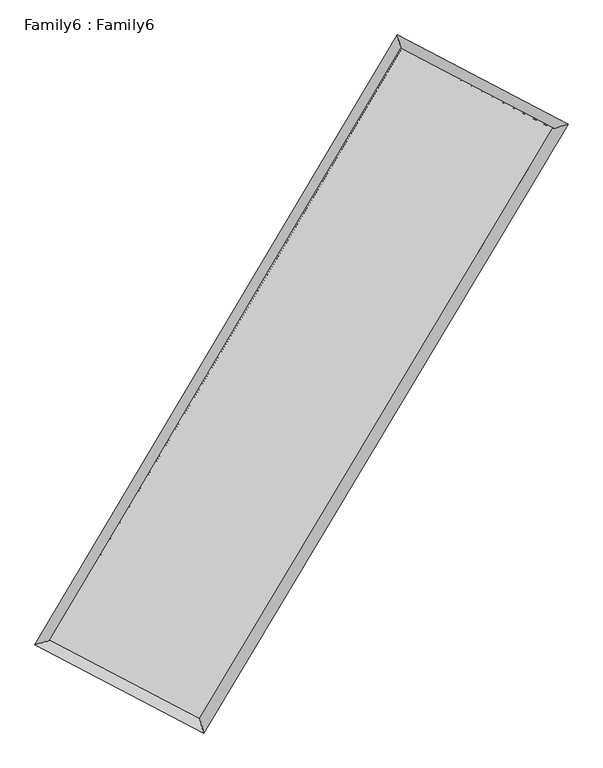
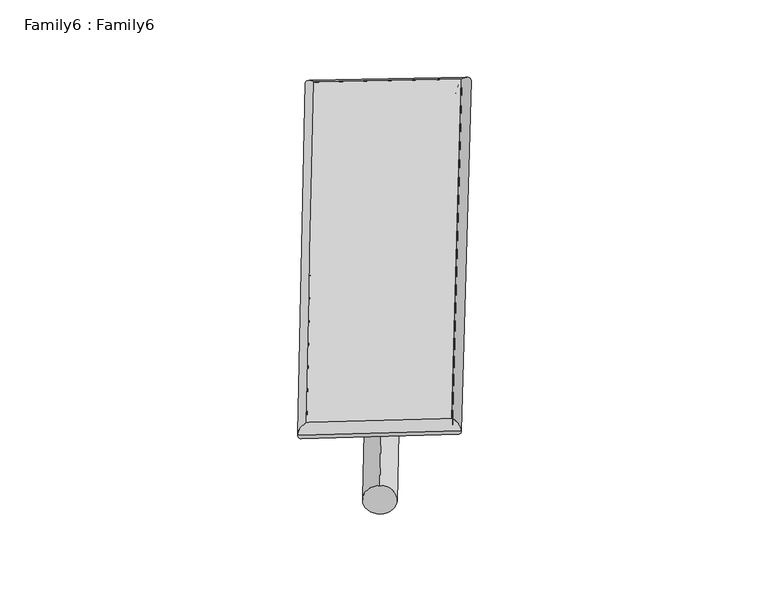
"""IFC4 building model written with IfcOpenShell, lengths in millimetres: plate geometry, Family6 : Family6."""

from ifc_helpers import new_model, si_unit, point, frame, origin, origin_2d, place, context, project, spatial, circle_curve, ellipse_curve, trimmed, segment, composite_curve, outline, extrude, source, transform, mapped, element, save
from ifc_brep_helpers import plane_surface, cylinder_surface, spline_surface, advanced_brep


def family6_family6_d4492acc(model_context):
    return source(origin(), model_context, "Body", "SolidModel", [
        extrude(outline(composite_curve([segment(trimmed(circle_curve(origin_2d(), 76.2), [point((-75.4341514, -10.7763073))], [point((75.4341514, 10.7763073))], False, "CARTESIAN"), True, "CONTINUOUS"), segment(trimmed(circle_curve(origin_2d(), 76.2), [point((75.4341514, 10.7763073))], [point((-75.4341514, -10.7763073))], False, "CARTESIAN"), True, "CONTINUOUS")], self_intersect=False)), frame((9144.0, 9144.0, 0.0), z_axis=(0.6770577926564759, 0.6848818971627938, 0.26931307495521406), x_axis=(-0.6767334827470601, 0.7232079012022218, -0.13784819537343226)), (0.0, 0.0, 1.0), 5637.567011),
        extrude(outline(composite_curve([segment(trimmed(circle_curve(origin_2d(), 76.2), [point((-53.8815367, 53.8815367))], [point((53.8815367, -53.8815367))], False, "CARTESIAN"), True, "CONTINUOUS"), segment(trimmed(circle_curve(origin_2d(), 76.2), [point((53.8815367, -53.8815367))], [point((-53.8815367, 53.8815367))], False, "CARTESIAN"), True, "CONTINUOUS")], self_intersect=False)), frame((9144.0, 9144.0, 0.0), z_axis=(-0.6748214862731478, -0.6870365370577296, 0.2694378563079489), x_axis=(0.638971182523315, -0.36128100139986996, 0.6791110851195581)), (0.0, 0.0, 1.0), 5634.4594462),
        extrude(outline(composite_curve([segment(trimmed(circle_curve(origin_2d(), 76.2), [point((-53.8815368, -53.8815367))], [point((53.8815368, 53.8815367))], False, "CARTESIAN"), True, "CONTINUOUS"), segment(trimmed(circle_curve(origin_2d(), 76.2), [point((53.8815368, 53.8815367))], [point((-53.8815368, -53.8815367))], False, "CARTESIAN"), True, "CONTINUOUS")], self_intersect=False)), frame((9144.0, 9144.0, 0.0), z_axis=(0.2739698261973088, 0.9209038877661315, 0.2772662327630987), x_axis=(-0.840490777412631, 0.36939205539383096, -0.39638965992597763)), (0.0, 0.0, 1.0), 5506.6143219),
        extrude(outline(composite_curve([segment(trimmed(circle_curve(origin_2d(), 76.2), [point((-75.4341514, 10.7763074))], [point((75.4341514, -10.7763074))], False, "CARTESIAN"), True, "CONTINUOUS"), segment(trimmed(circle_curve(origin_2d(), 76.2), [point((75.4341514, -10.7763074))], [point((-75.4341514, 10.7763074))], False, "CARTESIAN"), True, "CONTINUOUS")], self_intersect=False)), frame((9144.0, 9144.0, 0.0), z_axis=(-0.2770151403585822, -0.919940182938956, 0.2774394921894781), x_axis=(0.8773130110724633, -0.12438929910509515, 0.4635182659519593)), (0.0, 0.0, 1.0), 5502.917463),
        advanced_brep(
        [(5128.5690889, 5212.4296139, 1518.7860125), (5554.9247183, 5333.4149309, 1519.0038007), (5554.9223154, 5333.4113739, 1517.4873368), (10709.8826418, 14012.9917497, 1525.8945481), (10595.4096956, 14417.1333253, 1527.7018686), (5128.5666861, 5212.4260568, 1517.2695486), (12747.36561, 12944.9630105, 1518.3673844), (13174.551743, 13065.1721693, 1518.1736297), (7562.7398039, 4283.36896, 1526.5753869), (7676.4772893, 3879.9212448, 1526.8778661)],
        [
            (0, 1, ellipse_curve(frame((5341.7457022, 5272.9204939, 1518.1366746), z_axis=(-0.27298671446022227, 0.9620160740797509, -0.0018239902402172414), x_axis=(-0.9620122666211329, -0.27299108526128435, -0.0028751066652352854)), 221.598016, 152.4)),
            (1, 2, ellipse_curve(frame((5341.7457022, 5272.9204939, 1518.1366746), z_axis=(-0.27298671446022227, 0.9620160740797509, -0.0018239902402172414), x_axis=(-0.9620122666211329, -0.27299108526128435, -0.0028751066652352854)), 221.598016, 152.4)),
            (2, 3),
            (3, 4, ellipse_curve(frame((10652.6461687, 14215.0625375, 1526.7982083), z_axis=(-0.9621445195876307, -0.27253458221826127, 0.0016807506076975379), x_axis=(0.27252893111856125, -0.962142964642479, -0.0029828329413558625)), 210.0226245, 152.4)),
            (4, 0),
            (2, 5, ellipse_curve(frame((5341.7457022, 5272.9204939, 1518.1366746), z_axis=(-0.27298671446022227, 0.9620160740797509, -0.0018239902402172414), x_axis=(-0.9620122666211329, -0.27299108526128435, -0.0028751066652352854)), 221.598016, 152.4)),
            (5, 0, ellipse_curve(frame((5341.7457022, 5272.9204939, 1518.1366746), z_axis=(-0.27298671446022227, 0.9620160740797509, -0.0018239902402172414), x_axis=(-0.9620122666211329, -0.27299108526128435, -0.0028751066652352854)), 221.598016, 152.4)),
            (4, 3, ellipse_curve(frame((10652.6461687, 14215.0625375, 1526.7982083), z_axis=(-0.9621445195876307, -0.27253458221826127, 0.0016807506076975379), x_axis=(0.27252893111856125, -0.962142964642479, -0.0029828329413558625)), 210.0226245, 152.4)),
            (3, 6),
            (6, 7, ellipse_curve(frame((12960.9586765, 13005.0675899, 1518.270507), z_axis=(-0.2708760676421057, 0.9626125656974404, 0.0017900670770481118), x_axis=(-0.9626089440654768, -0.27088027450689695, 0.002810282586459773)), 221.8893385, 152.4)),
            (7, 4),
            (7, 6, ellipse_curve(frame((12960.9586765, 13005.0675899, 1518.270507), z_axis=(-0.2708760676421057, 0.9626125656974404, 0.0017900670770481118), x_axis=(-0.9626089440654768, -0.27088027450689695, 0.002810282586459773)), 221.8893385, 152.4)),
            (6, 8),
            (8, 9, ellipse_curve(frame((7619.6085466, 4081.6451024, 1526.7266265), z_axis=(0.9624824406134305, 0.2713384021680035, 0.0017386833320208702), x_axis=(-0.2713325058934666, 0.9624809161714425, -0.0030260950666629927)), 209.5872119, 152.4)),
            (9, 7),
            (9, 8, ellipse_curve(frame((7619.6085466, 4081.6451024, 1526.7266265), z_axis=(0.9624824406134305, 0.2713384021680035, 0.0017386833320208702), x_axis=(-0.2713325058934666, 0.9624809161714425, -0.0030260950666629927)), 209.5872119, 152.4)),
            (8, 1),
            (5, 9),
        ],
        [
            cylinder_surface(frame((5341.7457022, 5272.9204939, 1518.1366746), z_axis=(-0.5106454643615225, -0.8597909723612602, -0.000832810352718301), x_axis=(-0.8597820993659514, 0.5106352159939385, 0.005139824578828847)), 152.4),
            cylinder_surface(frame((10652.6461687, 14215.0625375, 1526.7982083), z_axis=(-0.8856881460179737, 0.46426910491332907, 0.0032720370140099935), x_axis=(0.46427792749211083, 0.8856850540435497, 0.0028268511642699783)), 152.4),
            cylinder_surface(frame((12960.9586765, 13005.0675899, 1518.270507), z_axis=(0.5135971480210862, 0.8580310649486628, -0.000813097577321761), x_axis=(0.8580314207703079, -0.5135971480210862, 0.00022475652030438058)), 152.4),
            cylinder_surface(frame((7619.6085466, 4081.6451024, 1526.7266265), z_axis=(0.8861287474625246, -0.46342709927876574, 0.003341642495319698), x_axis=(-0.46342220006013884, -0.8861349719700926, -0.0021623928838054515)), 152.4),
        ],
        [
            (0, [[1, 2, 3, 4, 5]]),
            (0, [[6, 7, -5, 8, -3]]),
            (1, [[-4, 9, 10, 11]]),
            (1, [[-8, -11, 12, -9]]),
            (2, [[-10, 13, 14, 15]]),
            (2, [[-12, -15, 16, -13]]),
            (3, [[-14, 17, -1, -7, 18]]),
            (3, [[-16, -18, -6, -2, -17]]),
        ],
    ),
        extrude(outline(composite_curve([segment(trimmed(circle_curve(origin_2d(), 304.8), [point((0.0, 304.8))], [point((0.0, -304.8))], False, "CARTESIAN"), True, "CONTINUOUS"), segment(trimmed(circle_curve(origin_2d(), 304.8), [point((0.0, -304.8))], [point((0.0, 304.8))], False, "CARTESIAN"), True, "CONTINUOUS")], self_intersect=False)), frame((11815.4487666, 13637.2498482, -0.0003742), z_axis=(-0.5110452456862759, -0.8595538126618072, 7.158864167977213e-08), x_axis=(-0.8595538126618099, 0.5110452456862759, -1.967409317572653e-08)), (0.0, 0.0, 1.0), 10454.8424591),
        advanced_brep(
        [(5341.7457022, 5272.9204939, 1518.1366746), (7619.6085466, 4081.6451024, 1526.7266265), (7619.6092614, 4081.6429066, 1679.1266265), (5341.746417, 5272.9182981, 1670.5366746), (12960.9586765, 13005.0675899, 1518.270507), (12960.9593913, 13005.0653942, 1670.670507), (10652.6461687, 14215.0625375, 1526.7982083), (10652.6468835, 14215.0603417, 1679.1982083)],
        [
            (0, 1),
            (1, 2),
            (2, 3),
            (3, 0),
            (1, 4),
            (4, 5),
            (5, 2),
            (4, 6),
            (6, 7),
            (7, 5),
            (6, 0),
            (3, 7),
        ],
        [
            plane_surface(frame((6480.6771244, 4677.2827981, 1522.4316506), z_axis=(-0.4634296553516297, -0.8861337113711704, -1.0593634601253421e-05), x_axis=(0.8861287474625245, -0.46342709927876585, 0.0033416424953196995))),
            plane_surface(frame((10290.2836115, 8543.3563461, 1522.4985668), z_axis=(0.8580313437560151, -0.5135973257346004, -1.1424280683103338e-05), x_axis=(0.5135971480210861, 0.8580310649486629, -0.0008130975773217601))),
            plane_surface(frame((11806.8024226, 13610.0650637, 1522.5343577), z_axis=(0.46427162086319324, 0.8856928711178931, 1.0583333953291226e-05), x_axis=(-0.8856881460179735, 0.46426910491332907, 0.0032720370140099935))),
            plane_surface(frame((7997.1959354, 9743.9915157, 1522.4674415), z_axis=(-0.8597912753134235, 0.510645633257727, 1.1390007814945642e-05), x_axis=(-0.5106454643615228, -0.8597909723612602, -0.0008328103527183008))),
            spline_surface(1, 1, [[(7619.6092614, 4081.6429066, 1679.1266265), (5341.746417, 5272.9182981, 1670.5366746)], [(12960.9593913, 13005.0653942, 1670.670507), (10652.6468835, 14215.0603417, 1679.1982083)]], [2, 2], [2, 2], [0.0, 1.0], [0.0, 1.0]),
            spline_surface(1, 1, [[(10652.6461687, 14215.0625375, 1526.7982083), (5341.7457022, 5272.9204939, 1518.1366746)], [(12960.9586765, 13005.0675899, 1518.270507), (7619.6085466, 4081.6451024, 1526.7266265)]], [2, 2], [2, 2], [0.0, 1.0], [0.0, 1.0]),
        ],
        [
            (0, [[1, 2, 3, 4]]),
            (1, [[5, 6, 7, -2]]),
            (2, [[8, 9, 10, -6]]),
            (3, [[11, -4, 12, -9]]),
            (4, [[-3, -7, -10, -12]]),
            (5, [[-11, -8, -5, -1]]),
        ],
    ),
    ])


if __name__ == "__main__":
    model = new_model("IFC4")
    model_context = context("Model", 3, world=origin())
    ifc_project = project(units=[si_unit("LENGTHUNIT", "METRE", prefix="MILLI")], contexts=[model_context])
    site = spatial("IfcSite", under=ifc_project)
    building = spatial("IfcBuilding", under=site)
    placement = place(None, origin())
    family6_family6_shape = family6_family6_d4492acc(model_context)
    element("IfcPlate", 1, ObjectType="Family6 : Family6", at=placement, inside=building, context=model_context, shape_type="MappedRepresentation", body=[
        mapped(family6_family6_shape, transform((0.0, 0.0, 0.0), x_axis=(1.0, 0.0, 0.0), y_axis=(0.0, 1.0, 0.0), z_axis=(0.0, 0.0, 1.0))),
    ])
    save(model, "model.ifc")
